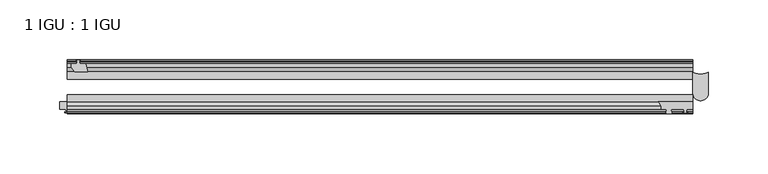
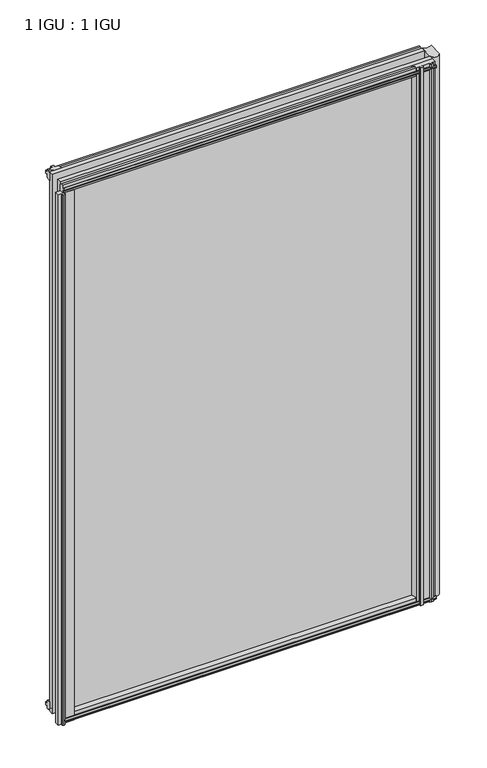
"""IFC4 building model written with IfcOpenShell, lengths in millimetres: plate geometry, 1 IGU : 1 IGU."""

from ifc_helpers import new_model, si_unit, point, frame, frame_2d, origin, place, context, project, spatial, polyline, circle_curve, trimmed, segment, composite_curve, outline, extrude, source, transform, mapped, element, save


def plate_1_igu_1_igu_8313e876(model_context):
    return source(origin(), model_context, "Body", "SweptSolid", [
        extrude(outline(composite_curve([segment(polyline([(218.0571386, -44.9460938), (218.0571386, -51.2960937), (212.9771386, -51.2960937), (212.6596386, -53.4006957), (213.8782444, -53.0741712), (214.0820386, -53.8347412), (211.7071386, -54.4710938), (209.3322386, -53.8347412), (209.5360327, -53.0741712), (210.7546386, -53.4006957), (210.4371386, -51.2960937), (200.0485386, -51.2960937)]), True, "CONTINUOUS"), segment(trimmed(circle_curve(frame_2d((200.0485386, -51.7532937)), 0.4572), [point((200.0485386, -51.2960937))], [point((199.7097207, -52.0602698))], True, "CARTESIAN"), True, "CONTINUOUS"), segment(trimmed(circle_curve(frame_2d((197.9403386, -53.663367)), 2.3876), [point((199.7097207, -52.0602698))], [point((200.0109816, -54.8520937))], False, "CARTESIAN"), True, "CONTINUOUS"), segment(polyline([(200.0109816, -54.8520937), (195.8696955, -54.8520937)]), True, "CONTINUOUS"), segment(trimmed(circle_curve(frame_2d((197.9403386, -53.663367)), 2.3876), [point((195.8696955, -54.8520937))], [point((196.1709564, -52.0602698))], False, "CARTESIAN"), True, "CONTINUOUS"), segment(trimmed(circle_curve(frame_2d((195.8321386, -51.7532937)), 0.4572), [point((196.1709564, -52.0602698))], [point((195.8321386, -51.2960937))], True, "CARTESIAN"), True, "CONTINUOUS"), segment(polyline([(195.8321386, -51.2960937), (191.5903386, -51.2960937)]), True, "CONTINUOUS"), segment(trimmed(circle_curve(frame_2d((184.4609382, -50.3546963)), 7.1912849), [point((191.5903386, -51.2960937))], [point((189.200305, -44.9460938))], True, "CARTESIAN"), True, "CONTINUOUS"), segment(polyline([(189.200305, -44.9460938), (218.0571386, -44.9460938)]), True, "CONTINUOUS")], self_intersect=False)), frame((0.0, 0.0, -10.7152524), z_axis=(0.0, 0.0, 1.0), x_axis=(1.0, 0.0, 0.0)), (0.0, 0.0, 1.0), 797.8739524),
        extrude(outline(polyline([(-295.7968906, -9.7670937), (-293.6193616, -10.4746158), (-293.6193616, -11.27583), (-295.0348906, -10.8158968), (-294.6538906, -13.1960937), (-289.4468906, -13.1960937), (-287.7291725, -19.5460937), (-298.5505485, -19.5460937), (-301.3848906, -16.1424937), (-301.3848906, -13.1960937), (-296.9398906, -13.1960937), (-296.5588906, -10.8158968), (-297.9744197, -11.27583), (-297.9744197, -10.4746158), (-295.7968906, -9.7670937)])), frame((0.0, 0.0, -12.4587), z_axis=(0.0, 0.0, 1.0), x_axis=(1.0, 0.0, 0.0)), (0.0, 0.0, 1.0), 799.6174),
        extrude(outline(composite_curve([segment(polyline([(-311.1511906, -44.9460937), (-287.0629464, -44.9460937)]), True, "CONTINUOUS"), segment(trimmed(circle_curve(frame_2d((-280.1505628, -50.4227155)), 8.8189814), [point((-287.0629464, -44.9460937))], [point((-288.9261906, -51.2960937))], True, "CARTESIAN"), True, "CONTINUOUS"), segment(polyline([(-288.9261906, -51.2960937), (-303.5311906, -51.2960937), (-303.8486906, -53.4006957), (-302.6300847, -53.0741712), (-302.4262906, -53.8347412), (-304.8011906, -54.4710937), (-307.1760906, -53.8347412), (-306.9722965, -53.0741712), (-305.7536906, -53.4006957), (-306.0711906, -51.2960937), (-311.1511906, -51.2960937), (-311.1511906, -44.9460937)]), True, "CONTINUOUS")], self_intersect=False)), frame((0.0, 0.0, -12.4587), z_axis=(0.0, 0.0, 1.0), x_axis=(1.0, 0.0, 0.0)), (0.0, 0.0, 1.0), 786.9174),
        extrude(outline(composite_curve([segment(polyline([(230.8489714, -20.0263871), (230.8489714, -37.7227655)]), True, "CONTINUOUS"), segment(trimmed(circle_curve(frame_2d((224.4888938, -37.7227655)), 6.3600776), [point((230.8489714, -37.7227655))], [point((218.1288163, -37.7227655))], False, "CARTESIAN"), True, "CONTINUOUS"), segment(polyline([(218.1288163, -37.7227655), (218.1288163, -20.0263871)]), True, "CONTINUOUS"), segment(trimmed(circle_curve(frame_2d((224.4888938, -9.6643371)), 12.1582346), [point((218.1288163, -20.0263871))], [point((230.8489714, -20.0263871))], True, "CARTESIAN"), True, "CONTINUOUS")], self_intersect=False)), frame((0.0, 0.0, -12.7), z_axis=(0.0, 0.0, 1.0), x_axis=(1.0, 0.0, 0.0)), (0.0, 0.0, 1.0), 800.1),
        extrude(outline(polyline([(-10.4746158, -4.6931709), (-9.7670937, -6.8707), (-10.4746158, -9.0482291), (-11.27583, -9.0482291), (-10.8158968, -7.6327), (-13.1960937, -8.0137), (-13.1960937, -12.4587), (-16.1424937, -12.4587), (-19.5460937, -9.6243578), (-19.5460937, 1.1970181), (-13.1960937, -0.5207), (-13.1960937, -5.7277), (-10.8158968, -6.1087), (-11.27583, -4.6931709), (-10.4746158, -4.6931709)])), frame((-304.8011906, 0.0, 0.0), z_axis=(1.0, 0.0, 0.0), x_axis=(0.0, 1.0, 0.0)), (0.0, 0.0, 1.0), 522.8851937),
        extrude(outline(polyline([(-44.9460937, 1.7177181), (-44.9460937, -9.1036578), (-48.3496937, -11.938), (-51.2960937, -11.938), (-51.2960937, -7.493), (-53.6762907, -7.112), (-53.2163575, -8.5275291), (-54.0175717, -8.5275291), (-54.7250937, -6.35), (-54.0175717, -4.1724709), (-53.2163575, -4.1724709), (-53.6762907, -5.588), (-51.2960937, -5.207), (-51.2960937, 0.0), (-44.9460937, 1.7177181)])), frame((-304.8011906, 0.0, 0.0), z_axis=(1.0, 0.0, 0.0), x_axis=(0.0, 1.0, 0.0)), (0.0, 0.0, 1.0), 522.8851937),
        extrude(outline(polyline([(-10.8158968, 782.3327), (-11.27583, 783.7482291), (-10.4746158, 783.7482291), (-9.7670937, 781.5707), (-10.4746158, 779.3931709), (-11.27583, 779.3931709), (-10.8158968, 780.8087), (-13.1960937, 780.4277), (-13.1960937, 775.2207), (-19.5460938, 773.5029819), (-19.5460938, 784.3243578), (-16.1424937, 787.1587), (-13.1960937, 787.1587), (-13.1960937, 782.7137), (-10.8158968, 782.3327)])), frame((-304.8011906, 0.0, 0.0), z_axis=(1.0, 0.0, 0.0), x_axis=(0.0, 1.0, 0.0)), (0.0, 0.0, 1.0), 522.8851937),
        extrude(outline(polyline([(-51.2960937, 786.638), (-48.3496937, 786.638), (-44.9460938, 783.8036578), (-44.9460938, 772.9822819), (-51.2960937, 774.7), (-51.2960937, 779.907), (-53.6762907, 780.288), (-53.2163575, 778.8724709), (-54.0175717, 778.8724709), (-54.7250937, 781.05), (-54.0175717, 783.2275291), (-53.2163575, 783.2275291), (-53.6762907, 781.812), (-51.2960937, 782.193), (-51.2960937, 786.638)])), frame((-304.8011906, 0.0, 0.0), z_axis=(1.0, 0.0, 0.0), x_axis=(0.0, 1.0, 0.0)), (0.0, 0.0, 1.0), 522.8851937),
        extrude(outline(polyline([(-304.8011906, -38.9186738), (218.0840031, -38.9186738), (218.0840031, -44.9460937), (-304.8011906, -44.9460937), (-304.8011906, -38.9186738)])), frame((0.0, 0.0, -12.7), z_axis=(0.0, 0.0, 1.0), x_axis=(1.0, 0.0, 0.0)), (0.0, 0.0, 1.0), 800.1),
        extrude(outline(polyline([(-304.8011906, -19.5460937), (218.0840031, -19.5460937), (218.0840031, -25.8960938), (-304.8011906, -25.8960938), (-304.8011906, -19.5460937)])), frame((0.0, 0.0, -12.7), z_axis=(0.0, 0.0, 1.0), x_axis=(1.0, 0.0, 0.0)), (0.0, 0.0, 1.0), 800.1),
    ])


if __name__ == "__main__":
    model = new_model("IFC4")
    model_context = context("Model", 3, world=origin())
    ifc_project = project(units=[si_unit("LENGTHUNIT", "METRE", prefix="MILLI")], contexts=[model_context])
    site = spatial("IfcSite", under=ifc_project)
    building = spatial("IfcBuilding", under=site)
    placement = place(None, origin())
    plate_1_igu_1_igu_shape = plate_1_igu_1_igu_8313e876(model_context)
    element("IfcPlate", 1, ObjectType="1 IGU : 1 IGU", at=placement, inside=building, context=model_context, shape_type="MappedRepresentation", body=[
        mapped(plate_1_igu_1_igu_shape, transform((0.0, 0.0, 0.0), x_axis=(1.0, 0.0, 0.0), y_axis=(0.0, 1.0, 0.0), z_axis=(0.0, 0.0, 1.0))),
    ])
    save(model, "model.ifc")
